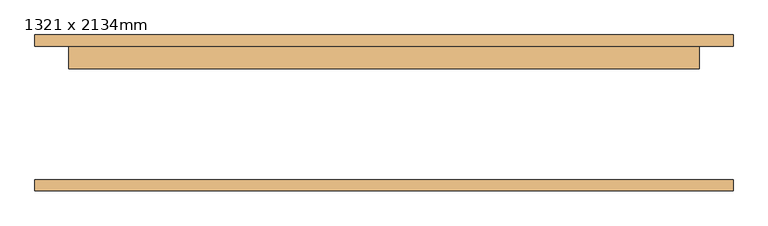
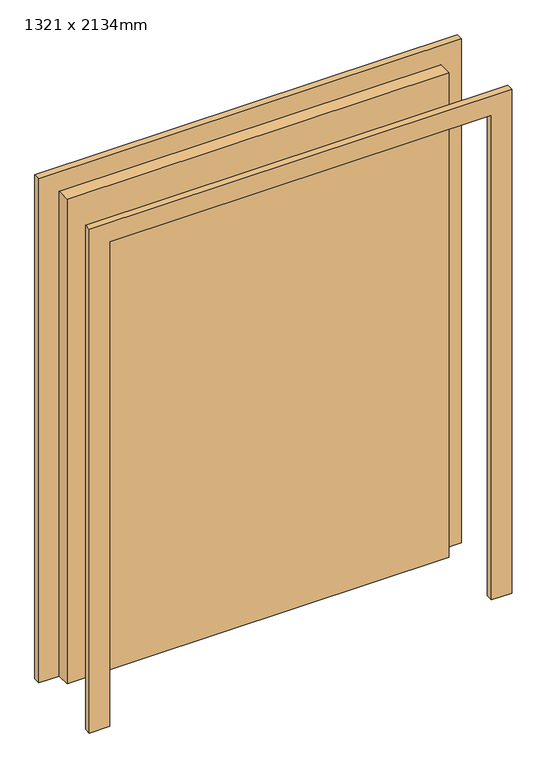
"""IFC4 building model written with IfcOpenShell, lengths in millimetres: door geometry, 1321 x 2134mm."""

from ifc_helpers import new_model, si_unit, frame, origin, origin_with_axes, place, context, project, spatial, polyline, outline, extrude, source, transform, mapped, element, save


def door_1321_x_2134mm_f1ed636d(model_context):
    return source(origin(), model_context, "Body", "SweptSolid", [
        extrude(outline(polyline([(102.0, 150.0), (102.0, 99.0), (-1314.0, 99.0), (-1314.0, 150.0), (102.0, 150.0)])), origin_with_axes(), (0.0, 0.0, 1.0), 1900.0),
        extrude(outline(polyline([(1900.0, -1314.0), (1900.0, 102.0), (0.0, 102.0), (0.0, 178.0), (1976.0, 178.0), (1976.0, -1390.0), (0.0, -1390.0), (0.0, -1314.0), (1900.0, -1314.0)])), frame((0.0, -175.0, 0.0), z_axis=(0.0, 1.0, 0.0), x_axis=(0.0, 0.0, 1.0)), (0.0, 0.0, 1.0), 25.0),
        extrude(outline(polyline([(1900.0, -1314.0), (1900.0, 102.0), (0.0, 102.0), (0.0, 178.0), (1976.0, 178.0), (1976.0, -1390.0), (0.0, -1390.0), (0.0, -1314.0), (1900.0, -1314.0)])), frame((0.0, 150.0, 0.0), z_axis=(0.0, 1.0, 0.0), x_axis=(0.0, 0.0, 1.0)), (0.0, 0.0, 1.0), 25.0),
    ])


if __name__ == "__main__":
    model = new_model("IFC4")
    model_context = context("Model", 3, world=origin())
    ifc_project = project(units=[si_unit("LENGTHUNIT", "METRE", prefix="MILLI")], contexts=[model_context])
    site = spatial("IfcSite", under=ifc_project)
    building = spatial("IfcBuilding", under=site)
    placement = place(None, origin())
    door_1321_x_2134mm_shape = door_1321_x_2134mm_f1ed636d(model_context)
    element("IfcDoor", 1, ObjectType="1321 x 2134mm", at=placement, inside=building, context=model_context, shape_type="MappedRepresentation", body=[
        mapped(door_1321_x_2134mm_shape, transform((0.0, 0.0, 0.0), x_axis=(1.0, 0.0, 0.0), y_axis=(0.0, 1.0, 0.0), z_axis=(0.0, 0.0, 1.0))),
    ])
    save(model, "model.ifc")
